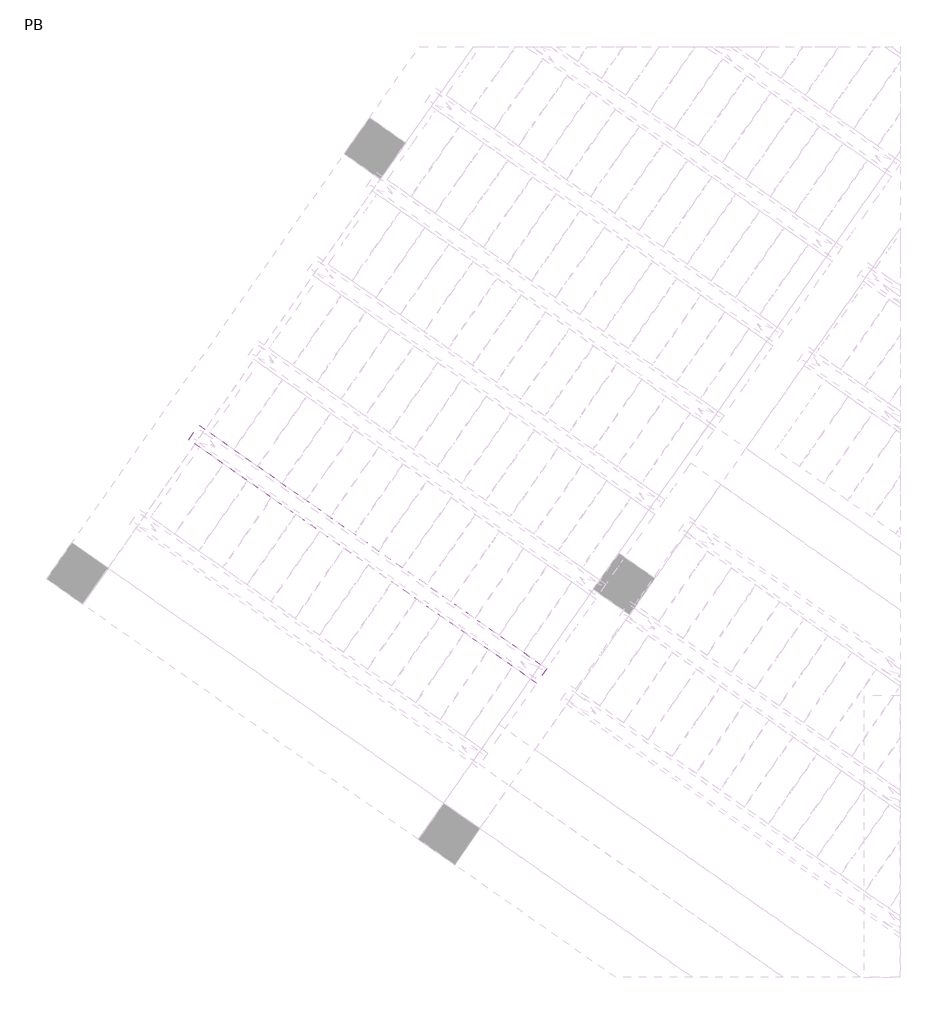
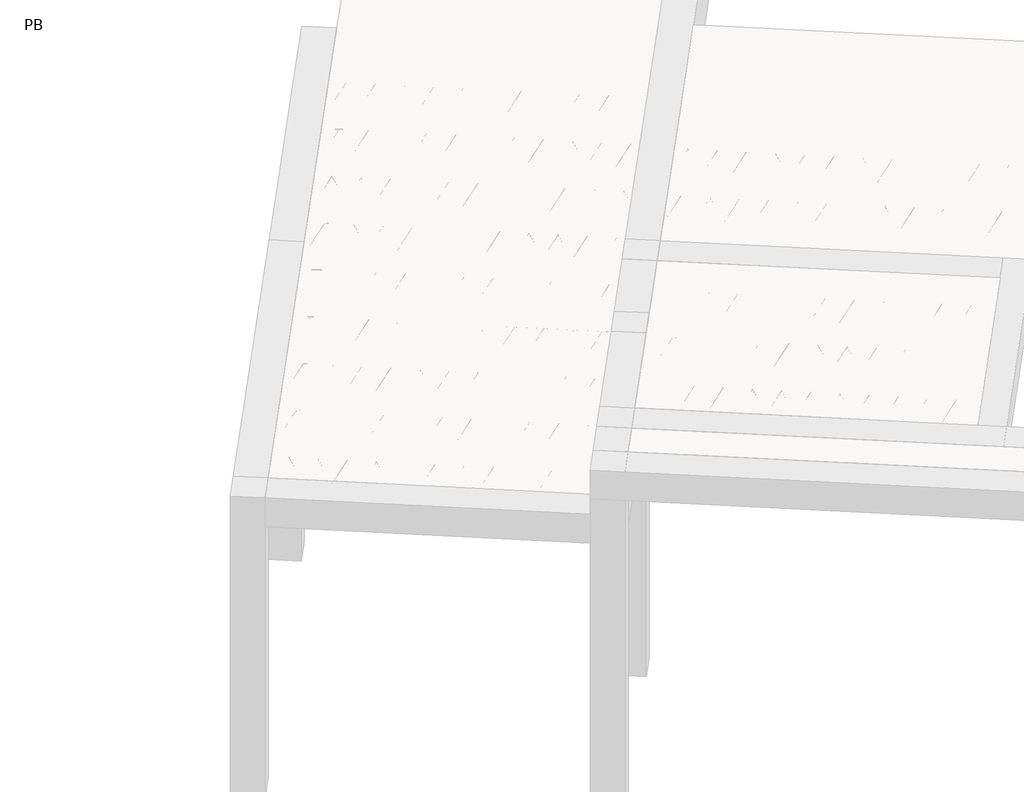
# One storey, part 14 of 56: 2 beams.
"""IFC4 building model written with IfcOpenShell, lengths in millimetres."""

from ifc_helpers import new_model, si_unit, point, frame, origin, origin_2d, place, context, project, spatial, polyline, circle_curve, trimmed, segment, composite_curve, outline, extrude, element, save

model = new_model("IFC4")

# Units and contexts
model_context = context("Model", 3, world=origin())
ifc_project = project(units=[si_unit("LENGTHUNIT", "METRE", prefix="MILLI")], contexts=[model_context])

# Site, building, storey
site = spatial("IfcSite", under=ifc_project)
building = spatial("IfcBuilding", under=site)
storey = spatial("IfcBuildingStorey", under=building, Name="PB", Elevation=95940.0)

# Beams
placement = place(None, origin())
element("IfcBeam", 1, at=placement, inside=storey, context=model_context, shape_type="SweptSolid", body=[
    extrude(outline(polyline([(-813.145101, 3243.211184), (-744.3159287, 3341.5094294), (1618.7280718, 1686.888207), (1549.8988995, 1588.5899617), (-813.145101, 3243.211184)])), frame((0.0, 0.0, 98760.0), z_axis=(0.0, 0.0, 1.0), x_axis=(1.0, 0.0, 0.0)), (0.0, 0.0, 1.0), 50.0),
    extrude(outline(composite_curve([segment(trimmed(circle_curve(origin_2d(), 2.5), [point((-2.5, 0.0))], [point((2.5, 0.0))], False, "CARTESIAN"), True, "CONTINUOUS"), segment(trimmed(circle_curve(origin_2d(), 2.5), [point((2.5, 0.0))], [point((-2.5, 0.0))], False, "CARTESIAN"), True, "CONTINUOUS")], self_intersect=False)), frame((1544.0050849, 1622.0154452, 98785.0), z_axis=(-0.8191520442696126, 0.5735764363787226, 0.0), x_axis=(0.5735764363787226, 0.8191520442696126, 0.0)), (0.0, 0.0, 1.0), 2836.744068),
    extrude(outline(composite_curve([segment(trimmed(circle_curve(origin_2d(), 2.5), [point((-2.5, 0.0))], [point((2.4999999, 0.0))], False, "CARTESIAN"), True, "CONTINUOUS"), segment(trimmed(circle_curve(origin_2d(), 2.5), [point((2.4999999, 0.0))], [point((-2.5, 0.0))], False, "CARTESIAN"), True, "CONTINUOUS")], self_intersect=False)), frame((1467.689143, 1719.4003282, 99010.0), z_axis=(-0.8191520442696126, 0.5735764363787226, 0.0), x_axis=(0.5735764363787226, 0.8191520442696126, 0.0)), (0.0, 0.0, 1.0), 2600.0),
    extrude(outline(composite_curve([segment(trimmed(circle_curve(origin_2d(), 2.5), [point((-2.5, 0.0))], [point((2.5, 0.0))], False, "CARTESIAN"), True, "CONTINUOUS"), segment(trimmed(circle_curve(origin_2d(), 2.5), [point((2.5, 0.0))], [point((-2.5, 0.0))], False, "CARTESIAN"), True, "CONTINUOUS")], self_intersect=False)), frame((1508.4767945, 1646.8926219, 98785.0), z_axis=(-0.3145304735701046, 0.38933448886848654, 0.8657304643902053), x_axis=(0.7778747638402499, 0.6284193279813057, 0.0)), (0.0, 0.0, 1.0), 259.8961331),
    extrude(outline(composite_curve([segment(trimmed(circle_curve(origin_2d(), 2.5), [point((2.5, 0.0))], [point((-2.5, 0.0))], False, "CARTESIAN"), True, "CONTINUOUS"), segment(trimmed(circle_curve(origin_2d(), 2.5), [point((-2.5, 0.0))], [point((2.5, 0.0))], False, "CARTESIAN"), True, "CONTINUOUS")], self_intersect=False)), frame((1303.6887835, 1790.286731, 98785.0), z_axis=(0.47343050384693375, -0.16240172737369005, 0.8657304643902051), x_axis=(-0.3244721671091268, -0.9458952440791246, 0.0)), (0.0, 0.0, 1.0), 259.8961331),
    extrude(outline(composite_curve([segment(trimmed(circle_curve(origin_2d(), 2.5), [point((-2.5, 0.0))], [point((2.5, 0.0))], False, "CARTESIAN"), True, "CONTINUOUS"), segment(trimmed(circle_curve(origin_2d(), 2.5), [point((2.5, 0.0))], [point((-2.5, 0.0))], False, "CARTESIAN"), True, "CONTINUOUS")], self_intersect=False)), frame((1303.6887835, 1790.286731, 98785.0), z_axis=(-0.3145304735701046, 0.38933448886848654, 0.8657304643902053), x_axis=(0.7778747638402499, 0.6284193279813057, 0.0)), (0.0, 0.0, 1.0), 259.8961331),
    extrude(outline(composite_curve([segment(trimmed(circle_curve(origin_2d(), 2.5), [point((2.5, 0.0))], [point((-2.5, 0.0))], False, "CARTESIAN"), True, "CONTINUOUS"), segment(trimmed(circle_curve(origin_2d(), 2.5), [point((-2.5, 0.0))], [point((2.5, 0.0))], False, "CARTESIAN"), True, "CONTINUOUS")], self_intersect=False)), frame((1098.9007724, 1933.6808401, 98785.0), z_axis=(0.47343050384693375, -0.16240172737369005, 0.8657304643902051), x_axis=(-0.3244721671091268, -0.9458952440791246, 0.0)), (0.0, 0.0, 1.0), 259.8961331),
    extrude(outline(composite_curve([segment(trimmed(circle_curve(origin_2d(), 2.5), [point((-2.5, 0.0))], [point((2.5, 0.0))], False, "CARTESIAN"), True, "CONTINUOUS"), segment(trimmed(circle_curve(origin_2d(), 2.5), [point((2.5, 0.0))], [point((-2.5, 0.0))], False, "CARTESIAN"), True, "CONTINUOUS")], self_intersect=False)), frame((1098.9007724, 1933.6808401, 98785.0), z_axis=(-0.3145304735701046, 0.38933448886848654, 0.8657304643902053), x_axis=(0.7778747638402499, 0.6284193279813057, 0.0)), (0.0, 0.0, 1.0), 259.8961331),
    extrude(outline(composite_curve([segment(trimmed(circle_curve(origin_2d(), 2.5), [point((2.5, -1e-07))], [point((-2.5, 0.0))], False, "CARTESIAN"), True, "CONTINUOUS"), segment(trimmed(circle_curve(origin_2d(), 2.5), [point((-2.5, 0.0))], [point((2.5, -1e-07))], False, "CARTESIAN"), True, "CONTINUOUS")], self_intersect=False)), frame((894.1127614, 2077.0749492, 98785.0), z_axis=(0.47343050384693375, -0.16240172737369005, 0.8657304643902051), x_axis=(-0.3244721671091268, -0.9458952440791246, 0.0)), (0.0, 0.0, 1.0), 259.8961331),
    extrude(outline(composite_curve([segment(trimmed(circle_curve(origin_2d(), 2.5), [point((-2.5, 0.0))], [point((2.5, 0.0))], False, "CARTESIAN"), True, "CONTINUOUS"), segment(trimmed(circle_curve(origin_2d(), 2.5), [point((2.5, 0.0))], [point((-2.5, 0.0))], False, "CARTESIAN"), True, "CONTINUOUS")], self_intersect=False)), frame((894.1127614, 2077.0749492, 98785.0), z_axis=(-0.3145304735701046, 0.38933448886848654, 0.8657304643902053), x_axis=(0.7778747638402499, 0.6284193279813057, 0.0)), (0.0, 0.0, 1.0), 259.8961331),
    extrude(outline(composite_curve([segment(trimmed(circle_curve(origin_2d(), 2.5), [point((2.5, 0.0))], [point((-2.5, 0.0))], False, "CARTESIAN"), True, "CONTINUOUS"), segment(trimmed(circle_curve(origin_2d(), 2.5), [point((-2.5, 0.0))], [point((2.5, 0.0))], False, "CARTESIAN"), True, "CONTINUOUS")], self_intersect=False)), frame((689.3247503, 2220.4690583, 98785.0), z_axis=(0.47343050384693375, -0.16240172737369005, 0.8657304643902051), x_axis=(-0.3244721671091268, -0.9458952440791246, 0.0)), (0.0, 0.0, 1.0), 259.8961331),
    extrude(outline(composite_curve([segment(trimmed(circle_curve(origin_2d(), 2.5), [point((-2.5, 0.0))], [point((2.5, 0.0))], False, "CARTESIAN"), True, "CONTINUOUS"), segment(trimmed(circle_curve(origin_2d(), 2.5), [point((2.5, 0.0))], [point((-2.5, 0.0))], False, "CARTESIAN"), True, "CONTINUOUS")], self_intersect=False)), frame((689.3247503, 2220.4690583, 98785.0), z_axis=(-0.3145304735701046, 0.38933448886848654, 0.8657304643902053), x_axis=(0.7778747638402499, 0.6284193279813057, 0.0)), (0.0, 0.0, 1.0), 259.8961331),
    extrude(outline(composite_curve([segment(trimmed(circle_curve(origin_2d(), 2.5), [point((2.5, 0.0))], [point((-2.5, 0.0))], False, "CARTESIAN"), True, "CONTINUOUS"), segment(trimmed(circle_curve(origin_2d(), 2.5), [point((-2.5, 0.0))], [point((2.5, 0.0))], False, "CARTESIAN"), True, "CONTINUOUS")], self_intersect=False)), frame((484.5367392, 2363.8631674, 98785.0), z_axis=(0.47343050384693375, -0.16240172737369005, 0.8657304643902051), x_axis=(-0.3244721671091268, -0.9458952440791246, 0.0)), (0.0, 0.0, 1.0), 259.8961331),
    extrude(outline(composite_curve([segment(trimmed(circle_curve(origin_2d(), 2.5), [point((-2.5, -1e-07))], [point((2.5, 0.0))], False, "CARTESIAN"), True, "CONTINUOUS"), segment(trimmed(circle_curve(origin_2d(), 2.5), [point((2.5, 0.0))], [point((-2.5, -1e-07))], False, "CARTESIAN"), True, "CONTINUOUS")], self_intersect=False)), frame((484.5367392, 2363.8631674, 98785.0), z_axis=(-0.3145304735701046, 0.38933448886848654, 0.8657304643902053), x_axis=(0.7778747638402499, 0.6284193279813057, 0.0)), (0.0, 0.0, 1.0), 259.8961331),
    extrude(outline(composite_curve([segment(trimmed(circle_curve(origin_2d(), 2.5), [point((2.5, -1e-07))], [point((-2.5, 0.0))], False, "CARTESIAN"), True, "CONTINUOUS"), segment(trimmed(circle_curve(origin_2d(), 2.5), [point((-2.5, 0.0))], [point((2.5, -1e-07))], False, "CARTESIAN"), True, "CONTINUOUS")], self_intersect=False)), frame((279.7487282, 2507.2572765, 98785.0), z_axis=(0.47343050384693375, -0.16240172737369005, 0.8657304643902051), x_axis=(-0.3244721671091268, -0.9458952440791246, 0.0)), (0.0, 0.0, 1.0), 259.8961331),
    extrude(outline(composite_curve([segment(trimmed(circle_curve(origin_2d(), 2.5), [point((-2.5000001, 0.0))], [point((2.5, 0.0))], False, "CARTESIAN"), True, "CONTINUOUS"), segment(trimmed(circle_curve(origin_2d(), 2.5), [point((2.5, 0.0))], [point((-2.5000001, 0.0))], False, "CARTESIAN"), True, "CONTINUOUS")], self_intersect=False)), frame((279.7487282, 2507.2572765, 98785.0), z_axis=(-0.3145304735701046, 0.38933448886848654, 0.8657304643902053), x_axis=(0.7778747638402499, 0.6284193279813057, 0.0)), (0.0, 0.0, 1.0), 259.8961331),
    extrude(outline(composite_curve([segment(trimmed(circle_curve(origin_2d(), 2.5), [point((2.5000001, 0.0))], [point((-2.5, 0.0))], False, "CARTESIAN"), True, "CONTINUOUS"), segment(trimmed(circle_curve(origin_2d(), 2.5), [point((-2.5, 0.0))], [point((2.5000001, 0.0))], False, "CARTESIAN"), True, "CONTINUOUS")], self_intersect=False)), frame((74.9607171, 2650.6513856, 98785.0), z_axis=(0.47343050384693375, -0.16240172737369005, 0.8657304643902051), x_axis=(-0.3244721671091268, -0.9458952440791246, 0.0)), (0.0, 0.0, 1.0), 259.8961331),
    extrude(outline(composite_curve([segment(trimmed(circle_curve(origin_2d(), 2.5), [point((-2.5, -1e-07))], [point((2.5, 0.0))], False, "CARTESIAN"), True, "CONTINUOUS"), segment(trimmed(circle_curve(origin_2d(), 2.5), [point((2.5, 0.0))], [point((-2.5, -1e-07))], False, "CARTESIAN"), True, "CONTINUOUS")], self_intersect=False)), frame((74.9607171, 2650.6513856, 98785.0), z_axis=(-0.3145304735701046, 0.38933448886848654, 0.8657304643902053), x_axis=(0.7778747638402499, 0.6284193279813057, 0.0)), (0.0, 0.0, 1.0), 259.8961331),
    extrude(outline(composite_curve([segment(trimmed(circle_curve(origin_2d(), 2.5), [point((2.5000001, 0.0))], [point((-2.5, 0.0))], False, "CARTESIAN"), True, "CONTINUOUS"), segment(trimmed(circle_curve(origin_2d(), 2.5), [point((-2.5, 0.0))], [point((2.5000001, 0.0))], False, "CARTESIAN"), True, "CONTINUOUS")], self_intersect=False)), frame((-129.827294, 2794.0454947, 98785.0), z_axis=(0.47343050384693375, -0.16240172737369005, 0.8657304643902051), x_axis=(-0.3244721671091268, -0.9458952440791246, 0.0)), (0.0, 0.0, 1.0), 259.8961331),
    extrude(outline(composite_curve([segment(trimmed(circle_curve(origin_2d(), 2.5), [point((-2.5, -1e-07))], [point((2.5, 0.0))], False, "CARTESIAN"), True, "CONTINUOUS"), segment(trimmed(circle_curve(origin_2d(), 2.5), [point((2.5, 0.0))], [point((-2.5, -1e-07))], False, "CARTESIAN"), True, "CONTINUOUS")], self_intersect=False)), frame((-129.827294, 2794.0454947, 98785.0), z_axis=(-0.3145304735701046, 0.38933448886848654, 0.8657304643902053), x_axis=(0.7778747638402499, 0.6284193279813057, 0.0)), (0.0, 0.0, 1.0), 259.8961331),
    extrude(outline(composite_curve([segment(trimmed(circle_curve(origin_2d(), 2.5), [point((2.5, -1e-07))], [point((-2.5000001, 0.0))], False, "CARTESIAN"), True, "CONTINUOUS"), segment(trimmed(circle_curve(origin_2d(), 2.5), [point((-2.5000001, 0.0))], [point((2.5, -1e-07))], False, "CARTESIAN"), True, "CONTINUOUS")], self_intersect=False)), frame((-334.615305, 2937.4396037, 98785.0), z_axis=(0.47343050384693375, -0.16240172737369005, 0.8657304643902051), x_axis=(-0.3244721671091268, -0.9458952440791246, 0.0)), (0.0, 0.0, 1.0), 259.8961331),
    extrude(outline(composite_curve([segment(trimmed(circle_curve(origin_2d(), 2.5), [point((-2.5000001, 1e-07))], [point((2.5, 1e-07))], False, "CARTESIAN"), True, "CONTINUOUS"), segment(trimmed(circle_curve(origin_2d(), 2.5), [point((2.5, 1e-07))], [point((-2.5000001, 1e-07))], False, "CARTESIAN"), True, "CONTINUOUS")], self_intersect=False)), frame((-334.615305, 2937.4396037, 98785.0), z_axis=(-0.3145304735701046, 0.38933448886848654, 0.8657304643902053), x_axis=(0.7778747638402499, 0.6284193279813057, 0.0)), (0.0, 0.0, 1.0), 259.8961331),
    extrude(outline(composite_curve([segment(trimmed(circle_curve(origin_2d(), 2.5), [point((2.5, 0.0))], [point((-2.5000001, 0.0))], False, "CARTESIAN"), True, "CONTINUOUS"), segment(trimmed(circle_curve(origin_2d(), 2.5), [point((-2.5000001, 0.0))], [point((2.5, 0.0))], False, "CARTESIAN"), True, "CONTINUOUS")], self_intersect=False)), frame((-539.4033161, 3080.8337128, 98785.0), z_axis=(0.47343050384693375, -0.16240172737369005, 0.8657304643902051), x_axis=(-0.3244721671091268, -0.9458952440791246, 0.0)), (0.0, 0.0, 1.0), 259.8961331),
    extrude(outline(composite_curve([segment(trimmed(circle_curve(origin_2d(), 2.5), [point((-2.5, 0.0))], [point((2.5, 1e-07))], False, "CARTESIAN"), True, "CONTINUOUS"), segment(trimmed(circle_curve(origin_2d(), 2.5), [point((2.5, 1e-07))], [point((-2.5, 0.0))], False, "CARTESIAN"), True, "CONTINUOUS")], self_intersect=False)), frame((-539.4033161, 3080.8337128, 98785.0), z_axis=(-0.3145304735701046, 0.38933448886848654, 0.8657304643902053), x_axis=(0.7778747638402499, 0.6284193279813057, 0.0)), (0.0, 0.0, 1.0), 259.8961331),
    extrude(outline(composite_curve([segment(trimmed(circle_curve(origin_2d(), 2.5), [point((2.5, 0.0))], [point((-2.5, 0.0))], False, "CARTESIAN"), True, "CONTINUOUS"), segment(trimmed(circle_curve(origin_2d(), 2.5), [point((-2.5, 0.0))], [point((2.5, 0.0))], False, "CARTESIAN"), True, "CONTINUOUS")], self_intersect=False)), frame((-744.1913272, 3224.2278219, 98785.0), z_axis=(0.47343050384693375, -0.16240172737369005, 0.8657304643902051), x_axis=(-0.3244721671091268, -0.9458952440791246, 0.0)), (0.0, 0.0, 1.0), 259.8961331),
    extrude(outline(composite_curve([segment(trimmed(circle_curve(origin_2d(), 2.5), [point((-2.5, 0.0))], [point((2.5, 0.0))], False, "CARTESIAN"), True, "CONTINUOUS"), segment(trimmed(circle_curve(origin_2d(), 2.5), [point((2.5, 0.0))], [point((-2.5, 0.0))], False, "CARTESIAN"), True, "CONTINUOUS")], self_intersect=False)), frame((1585.3025883, 1680.9943924, 98785.0), z_axis=(-0.8191520442696126, 0.5735764363787226, 0.0), x_axis=(0.5735764363787226, 0.8191520442696126, 0.0)), (0.0, 0.0, 1.0), 2836.744068),
    extrude(outline(composite_curve([segment(trimmed(circle_curve(origin_2d(), 2.5), [point((-2.5, 1e-07))], [point((2.5, 0.0))], False, "CARTESIAN"), True, "CONTINUOUS"), segment(trimmed(circle_curve(origin_2d(), 2.5), [point((2.5, 0.0))], [point((-2.5, 1e-07))], False, "CARTESIAN"), True, "CONTINUOUS")], self_intersect=False)), frame((1549.774298, 1705.8715691, 98785.0), z_axis=(-0.47343050384693375, 0.16240172737369005, 0.8657304643902051), x_axis=(0.3244721671091268, 0.9458952440791246, 0.0)), (0.0, 0.0, 1.0), 259.8961331),
    extrude(outline(composite_curve([segment(trimmed(circle_curve(origin_2d(), 2.5), [point((2.5, 0.0))], [point((-2.5, 0.0))], False, "CARTESIAN"), True, "CONTINUOUS"), segment(trimmed(circle_curve(origin_2d(), 2.5), [point((-2.5, 0.0))], [point((2.5, 0.0))], False, "CARTESIAN"), True, "CONTINUOUS")], self_intersect=False)), frame((1344.9862869, 1849.2656782, 98785.0), z_axis=(0.3145304735701046, -0.38933448886848654, 0.8657304643902053), x_axis=(-0.7778747638402499, -0.6284193279813057, 0.0)), (0.0, 0.0, 1.0), 259.8961331),
    extrude(outline(composite_curve([segment(trimmed(circle_curve(origin_2d(), 2.5), [point((-2.5, 0.0))], [point((2.5, 0.0))], False, "CARTESIAN"), True, "CONTINUOUS"), segment(trimmed(circle_curve(origin_2d(), 2.5), [point((2.5, 0.0))], [point((-2.5, 0.0))], False, "CARTESIAN"), True, "CONTINUOUS")], self_intersect=False)), frame((1344.9862869, 1849.2656782, 98785.0), z_axis=(-0.47343050384693375, 0.16240172737369005, 0.8657304643902051), x_axis=(0.3244721671091268, 0.9458952440791246, 0.0)), (0.0, 0.0, 1.0), 259.8961331),
    extrude(outline(composite_curve([segment(trimmed(circle_curve(origin_2d(), 2.5), [point((2.5, 1e-07))], [point((-2.5000001, 1e-07))], False, "CARTESIAN"), True, "CONTINUOUS"), segment(trimmed(circle_curve(origin_2d(), 2.5), [point((-2.5000001, 1e-07))], [point((2.5, 1e-07))], False, "CARTESIAN"), True, "CONTINUOUS")], self_intersect=False)), frame((1140.1982758, 1992.6597873, 98785.0), z_axis=(0.3145304735701046, -0.38933448886848654, 0.8657304643902053), x_axis=(-0.7778747638402499, -0.6284193279813057, 0.0)), (0.0, 0.0, 1.0), 259.8961331),
    extrude(outline(composite_curve([segment(trimmed(circle_curve(origin_2d(), 2.5), [point((-2.5, 0.0))], [point((2.5, -1e-07))], False, "CARTESIAN"), True, "CONTINUOUS"), segment(trimmed(circle_curve(origin_2d(), 2.5), [point((2.5, -1e-07))], [point((-2.5, 0.0))], False, "CARTESIAN"), True, "CONTINUOUS")], self_intersect=False)), frame((1140.1982758, 1992.6597873, 98785.0), z_axis=(-0.47343050384693375, 0.16240172737369005, 0.8657304643902051), x_axis=(0.3244721671091268, 0.9458952440791246, 0.0)), (0.0, 0.0, 1.0), 259.8961331),
    extrude(outline(composite_curve([segment(trimmed(circle_curve(origin_2d(), 2.5), [point((2.5, 1e-07))], [point((-2.5, 0.0))], False, "CARTESIAN"), True, "CONTINUOUS"), segment(trimmed(circle_curve(origin_2d(), 2.5), [point((-2.5, 0.0))], [point((2.5, 1e-07))], False, "CARTESIAN"), True, "CONTINUOUS")], self_intersect=False)), frame((935.4102648, 2136.0538964, 98785.0), z_axis=(0.3145304735701046, -0.38933448886848654, 0.8657304643902053), x_axis=(-0.7778747638402499, -0.6284193279813057, 0.0)), (0.0, 0.0, 1.0), 259.8961331),
    extrude(outline(composite_curve([segment(trimmed(circle_curve(origin_2d(), 2.5), [point((-2.5, 0.0))], [point((2.5, 0.0))], False, "CARTESIAN"), True, "CONTINUOUS"), segment(trimmed(circle_curve(origin_2d(), 2.5), [point((2.5, 0.0))], [point((-2.5, 0.0))], False, "CARTESIAN"), True, "CONTINUOUS")], self_intersect=False)), frame((935.4102648, 2136.0538964, 98785.0), z_axis=(-0.47343050384693375, 0.16240172737369005, 0.8657304643902051), x_axis=(0.3244721671091268, 0.9458952440791246, 0.0)), (0.0, 0.0, 1.0), 259.8961331),
    extrude(outline(composite_curve([segment(trimmed(circle_curve(origin_2d(), 2.5), [point((2.5, 1e-07))], [point((-2.5, 0.0))], False, "CARTESIAN"), True, "CONTINUOUS"), segment(trimmed(circle_curve(origin_2d(), 2.5), [point((-2.5, 0.0))], [point((2.5, 1e-07))], False, "CARTESIAN"), True, "CONTINUOUS")], self_intersect=False)), frame((730.6222537, 2279.4480055, 98785.0), z_axis=(0.3145304735701046, -0.38933448886848654, 0.8657304643902053), x_axis=(-0.7778747638402499, -0.6284193279813057, 0.0)), (0.0, 0.0, 1.0), 259.8961331),
    extrude(outline(composite_curve([segment(trimmed(circle_curve(origin_2d(), 2.5), [point((-2.5000001, 0.0))], [point((2.5, 0.0))], False, "CARTESIAN"), True, "CONTINUOUS"), segment(trimmed(circle_curve(origin_2d(), 2.5), [point((2.5, 0.0))], [point((-2.5000001, 0.0))], False, "CARTESIAN"), True, "CONTINUOUS")], self_intersect=False)), frame((730.6222537, 2279.4480055, 98785.0), z_axis=(-0.47343050384693375, 0.16240172737369005, 0.8657304643902051), x_axis=(0.3244721671091268, 0.9458952440791246, 0.0)), (0.0, 0.0, 1.0), 259.8961331),
    extrude(outline(composite_curve([segment(trimmed(circle_curve(origin_2d(), 2.5), [point((2.5, 1e-07))], [point((-2.5000001, 1e-07))], False, "CARTESIAN"), True, "CONTINUOUS"), segment(trimmed(circle_curve(origin_2d(), 2.5), [point((-2.5000001, 1e-07))], [point((2.5, 1e-07))], False, "CARTESIAN"), True, "CONTINUOUS")], self_intersect=False)), frame((525.8342426, 2422.8421146, 98785.0), z_axis=(0.3145304735701046, -0.38933448886848654, 0.8657304643902053), x_axis=(-0.7778747638402499, -0.6284193279813057, 0.0)), (0.0, 0.0, 1.0), 259.8961331),
    extrude(outline(composite_curve([segment(trimmed(circle_curve(origin_2d(), 2.5), [point((-2.5000001, 0.0))], [point((2.5, -1e-07))], False, "CARTESIAN"), True, "CONTINUOUS"), segment(trimmed(circle_curve(origin_2d(), 2.5), [point((2.5, -1e-07))], [point((-2.5000001, 0.0))], False, "CARTESIAN"), True, "CONTINUOUS")], self_intersect=False)), frame((525.8342426, 2422.8421146, 98785.0), z_axis=(-0.47343050384693375, 0.16240172737369005, 0.8657304643902051), x_axis=(0.3244721671091268, 0.9458952440791246, 0.0)), (0.0, 0.0, 1.0), 259.8961331),
    extrude(outline(composite_curve([segment(trimmed(circle_curve(origin_2d(), 2.5), [point((2.5, 0.0))], [point((-2.5, -1e-07))], False, "CARTESIAN"), True, "CONTINUOUS"), segment(trimmed(circle_curve(origin_2d(), 2.5), [point((-2.5, -1e-07))], [point((2.5, 0.0))], False, "CARTESIAN"), True, "CONTINUOUS")], self_intersect=False)), frame((321.0462316, 2566.2362236, 98785.0), z_axis=(0.3145304735701046, -0.38933448886848654, 0.8657304643902053), x_axis=(-0.7778747638402499, -0.6284193279813057, 0.0)), (0.0, 0.0, 1.0), 259.8961331),
    extrude(outline(composite_curve([segment(trimmed(circle_curve(origin_2d(), 2.5), [point((-2.5, 0.0))], [point((2.5000001, 0.0))], False, "CARTESIAN"), True, "CONTINUOUS"), segment(trimmed(circle_curve(origin_2d(), 2.5), [point((2.5000001, 0.0))], [point((-2.5, 0.0))], False, "CARTESIAN"), True, "CONTINUOUS")], self_intersect=False)), frame((321.0462316, 2566.2362236, 98785.0), z_axis=(-0.47343050384693375, 0.16240172737369005, 0.8657304643902051), x_axis=(0.3244721671091268, 0.9458952440791246, 0.0)), (0.0, 0.0, 1.0), 259.8961331),
    extrude(outline(composite_curve([segment(trimmed(circle_curve(origin_2d(), 2.5), [point((2.5, 0.0))], [point((-2.5, -1e-07))], False, "CARTESIAN"), True, "CONTINUOUS"), segment(trimmed(circle_curve(origin_2d(), 2.5), [point((-2.5, -1e-07))], [point((2.5, 0.0))], False, "CARTESIAN"), True, "CONTINUOUS")], self_intersect=False)), frame((116.2582205, 2709.6303327, 98785.0), z_axis=(0.3145304735701046, -0.38933448886848654, 0.8657304643902053), x_axis=(-0.7778747638402499, -0.6284193279813057, 0.0)), (0.0, 0.0, 1.0), 259.8961331),
    extrude(outline(composite_curve([segment(trimmed(circle_curve(origin_2d(), 2.5), [point((-2.5, 0.0))], [point((2.5000001, 0.0))], False, "CARTESIAN"), True, "CONTINUOUS"), segment(trimmed(circle_curve(origin_2d(), 2.5), [point((2.5000001, 0.0))], [point((-2.5, 0.0))], False, "CARTESIAN"), True, "CONTINUOUS")], self_intersect=False)), frame((116.2582205, 2709.6303327, 98785.0), z_axis=(-0.47343050384693375, 0.16240172737369005, 0.8657304643902051), x_axis=(0.3244721671091268, 0.9458952440791246, 0.0)), (0.0, 0.0, 1.0), 259.8961331),
    extrude(outline(composite_curve([segment(trimmed(circle_curve(origin_2d(), 2.5), [point((2.5, 0.0))], [point((-2.5000001, 0.0))], False, "CARTESIAN"), True, "CONTINUOUS"), segment(trimmed(circle_curve(origin_2d(), 2.5), [point((-2.5000001, 0.0))], [point((2.5, 0.0))], False, "CARTESIAN"), True, "CONTINUOUS")], self_intersect=False)), frame((-88.5297906, 2853.0244418, 98785.0), z_axis=(0.3145304735701046, -0.38933448886848654, 0.8657304643902053), x_axis=(-0.7778747638402499, -0.6284193279813057, 0.0)), (0.0, 0.0, 1.0), 259.8961331),
    extrude(outline(composite_curve([segment(trimmed(circle_curve(origin_2d(), 2.5), [point((-2.5, 0.0))], [point((2.5, -1e-07))], False, "CARTESIAN"), True, "CONTINUOUS"), segment(trimmed(circle_curve(origin_2d(), 2.5), [point((2.5, -1e-07))], [point((-2.5, 0.0))], False, "CARTESIAN"), True, "CONTINUOUS")], self_intersect=False)), frame((-88.5297906, 2853.0244418, 98785.0), z_axis=(-0.47343050384693375, 0.16240172737369005, 0.8657304643902051), x_axis=(0.3244721671091268, 0.9458952440791246, 0.0)), (0.0, 0.0, 1.0), 259.8961331),
    extrude(outline(composite_curve([segment(trimmed(circle_curve(origin_2d(), 2.5), [point((2.5, 0.0))], [point((-2.5, -1e-07))], False, "CARTESIAN"), True, "CONTINUOUS"), segment(trimmed(circle_curve(origin_2d(), 2.5), [point((-2.5, -1e-07))], [point((2.5, 0.0))], False, "CARTESIAN"), True, "CONTINUOUS")], self_intersect=False)), frame((-293.3178016, 2996.4185509, 98785.0), z_axis=(0.3145304735701046, -0.38933448886848654, 0.8657304643902053), x_axis=(-0.7778747638402499, -0.6284193279813057, 0.0)), (0.0, 0.0, 1.0), 259.8961331),
    extrude(outline(composite_curve([segment(trimmed(circle_curve(origin_2d(), 2.5), [point((-2.5, 0.0))], [point((2.5, 0.0))], False, "CARTESIAN"), True, "CONTINUOUS"), segment(trimmed(circle_curve(origin_2d(), 2.5), [point((2.5, 0.0))], [point((-2.5, 0.0))], False, "CARTESIAN"), True, "CONTINUOUS")], self_intersect=False)), frame((-293.3178016, 2996.4185509, 98785.0), z_axis=(-0.47343050384693375, 0.16240172737369005, 0.8657304643902051), x_axis=(0.3244721671091268, 0.9458952440791246, 0.0)), (0.0, 0.0, 1.0), 259.8961331),
    extrude(outline(composite_curve([segment(trimmed(circle_curve(origin_2d(), 2.5), [point((2.5, 0.0))], [point((-2.5, 0.0))], False, "CARTESIAN"), True, "CONTINUOUS"), segment(trimmed(circle_curve(origin_2d(), 2.5), [point((-2.5, 0.0))], [point((2.5, 0.0))], False, "CARTESIAN"), True, "CONTINUOUS")], self_intersect=False)), frame((-498.1058127, 3139.81266, 98785.0), z_axis=(0.3145304735701046, -0.38933448886848654, 0.8657304643902053), x_axis=(-0.7778747638402499, -0.6284193279813057, 0.0)), (0.0, 0.0, 1.0), 259.8961331),
    extrude(outline(composite_curve([segment(trimmed(circle_curve(origin_2d(), 2.5), [point((-2.5, 0.0))], [point((2.5, 0.0))], False, "CARTESIAN"), True, "CONTINUOUS"), segment(trimmed(circle_curve(origin_2d(), 2.5), [point((2.5, 0.0))], [point((-2.5, 0.0))], False, "CARTESIAN"), True, "CONTINUOUS")], self_intersect=False)), frame((-498.1058127, 3139.81266, 98785.0), z_axis=(-0.47343050384693375, 0.16240172737369005, 0.8657304643902051), x_axis=(0.3244721671091268, 0.9458952440791246, 0.0)), (0.0, 0.0, 1.0), 259.8961331),
    extrude(outline(composite_curve([segment(trimmed(circle_curve(origin_2d(), 2.5), [point((2.5, 0.0))], [point((-2.5000001, 1e-07))], False, "CARTESIAN"), True, "CONTINUOUS"), segment(trimmed(circle_curve(origin_2d(), 2.5), [point((-2.5000001, 1e-07))], [point((2.5, 0.0))], False, "CARTESIAN"), True, "CONTINUOUS")], self_intersect=False)), frame((-702.8938238, 3283.2067691, 98785.0), z_axis=(0.3145304735701046, -0.38933448886848654, 0.8657304643902053), x_axis=(-0.7778747638402499, -0.6284193279813057, 0.0)), (0.0, 0.0, 1.0), 259.8961331),
])
element("IfcBeam", 2, at=placement, inside=storey, context=model_context, shape_type="SweptSolid", body=[
    extrude(outline(polyline([(-411.6127131, 3816.5973913), (-342.7835407, 3914.8956366), (2020.2315773, 2260.294638), (1951.4024049, 2161.9963926), (-411.6127131, 3816.5973913)])), frame((0.0, 0.0, 98760.0), z_axis=(0.0, 0.0, 1.0), x_axis=(1.0, 0.0, 0.0)), (0.0, 0.0, 1.0), 50.0),
])

save(model, "model.ifc")
